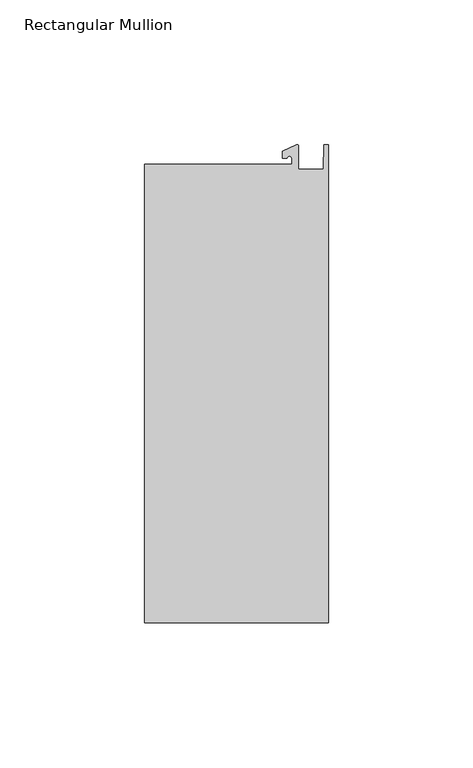
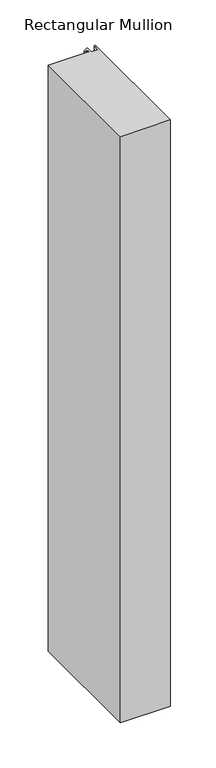
"""IFC4 building model written with IfcOpenShell, lengths in millimetres: member geometry, Rectangular Mullion."""

from ifc_helpers import new_model, si_unit, point, frame, frame_2d, origin, place, context, project, spatial, polyline, circle_curve, trimmed, segment, composite_curve, outline, extrude, source, transform, mapped, element, save


def rectangular_mullion_adad4654(model_context):
    return source(origin(), model_context, "Body", "SweptSolid", [
        extrude(outline(composite_curve([segment(polyline([(-12.6173814, 25.5984375), (-12.6173814, 27.6780632)]), True, "CONTINUOUS"), segment(trimmed(circle_curve(frame_2d((-13.4111314, 27.6780632)), 0.79375), [point((-12.6173814, 27.6780632))], [point((-14.2048814, 27.6780632))], True, "CARTESIAN"), True, "CONTINUOUS"), segment(polyline([(-14.2048814, 27.6780632), (-15.7923814, 27.6780632), (-15.7923814, 30.0402625), (-10.9524715, 32.2971496)]), True, "CONTINUOUS"), segment(trimmed(circle_curve(frame_2d((-10.7377814, 31.8367452)), 0.508), [point((-10.9524715, 32.2971496))], [point((-10.2297814, 31.8367452))], False, "CARTESIAN"), True, "CONTINUOUS"), segment(polyline([(-10.2297814, 31.8367452), (-10.2297814, 23.9227662), (-1.7144124, 23.9227662), (-1.5658966, 32.288874), (0.0, 32.288874), (0.0, -132.822512), (-63.5, -132.822512), (-63.5, 25.5984375), (-12.6173814, 25.5984375)]), True, "CONTINUOUS")], self_intersect=False)), frame((0.0, 0.0, -787.4), z_axis=(0.0, 0.0, 1.0), x_axis=(1.0, 0.0, 0.0)), (0.0, 0.0, 1.0), 787.4),
    ])


if __name__ == "__main__":
    model = new_model("IFC4")
    model_context = context("Model", 3, world=origin())
    ifc_project = project(units=[si_unit("LENGTHUNIT", "METRE", prefix="MILLI")], contexts=[model_context])
    site = spatial("IfcSite", under=ifc_project)
    building = spatial("IfcBuilding", under=site)
    placement = place(None, origin())
    rectangular_mullion_shape = rectangular_mullion_adad4654(model_context)
    element("IfcMember", 1, ObjectType="Rectangular Mullion", at=placement, inside=building, context=model_context, shape_type="MappedRepresentation", body=[
        mapped(rectangular_mullion_shape, transform((0.0, 0.0, 0.0), x_axis=(1.0, 0.0, 0.0), y_axis=(0.0, 1.0, 0.0), z_axis=(0.0, 0.0, 1.0))),
    ])
    save(model, "model.ifc")
